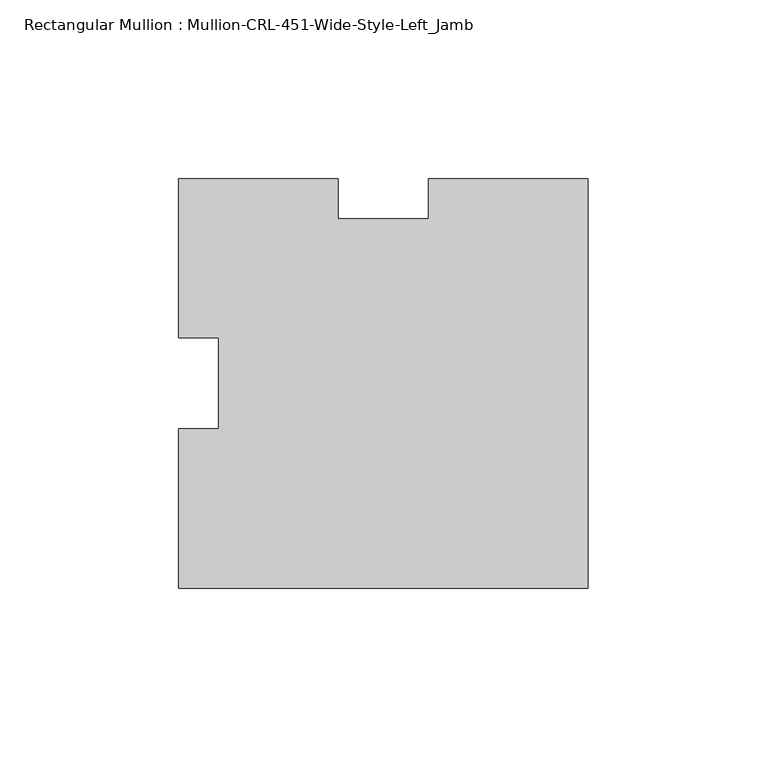
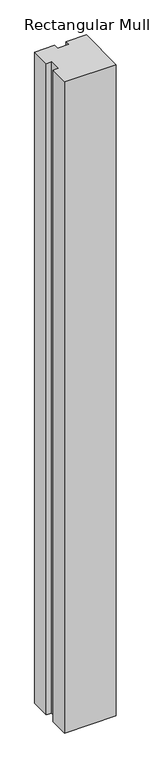
"""IFC4 building model written with IfcOpenShell, lengths in millimetres: member geometry, Rectangular Mullion : Mullion-CRL-451-Wide-Style-Left_Jamb."""

from ifc_helpers import new_model, si_unit, frame, origin, place, context, project, spatial, polyline, outline, extrude, source, transform, mapped, element, save


def rectangular_mullion_mullion_crl_451_wide_style_left_jamb_20f73f39(model_context):
    return source(origin(), model_context, "Body", "SweptSolid", [
        extrude(outline(polyline([(0.0, -57.15), (-114.3000484, -57.15), (-114.3000484, -12.7), (-103.1875484, -12.7), (-103.1875484, 12.7310704), (-114.3000969, 12.7310704), (-114.3000969, 57.15), (-69.8500474, 57.15), (-69.8500474, 46.0375011), (-44.4500474, 46.0375011), (-44.4500474, 57.15), (0.0, 57.15), (0.0, -57.15)])), frame((0.0, 0.0, -1524.0), z_axis=(0.0, 0.0, 1.0), x_axis=(1.0, 0.0, 0.0)), (0.0, 0.0, 1.0), 1524.0),
    ])


if __name__ == "__main__":
    model = new_model("IFC4")
    model_context = context("Model", 3, world=origin())
    ifc_project = project(units=[si_unit("LENGTHUNIT", "METRE", prefix="MILLI")], contexts=[model_context])
    site = spatial("IfcSite", under=ifc_project)
    building = spatial("IfcBuilding", under=site)
    placement = place(None, origin())
    rectangular_mullion_mullion_crl_451_wide_style_left_jamb_shape = rectangular_mullion_mullion_crl_451_wide_style_left_jamb_20f73f39(model_context)
    element("IfcMember", 1, ObjectType="Rectangular Mullion : Mullion-CRL-451-Wide-Style-Left_Jamb", at=placement, inside=building, context=model_context, shape_type="MappedRepresentation", body=[
        mapped(rectangular_mullion_mullion_crl_451_wide_style_left_jamb_shape, transform((0.0, 0.0, 0.0), x_axis=(1.0, 0.0, 0.0), y_axis=(0.0, 1.0, 0.0), z_axis=(0.0, 0.0, 1.0))),
    ])
    save(model, "model.ifc")
